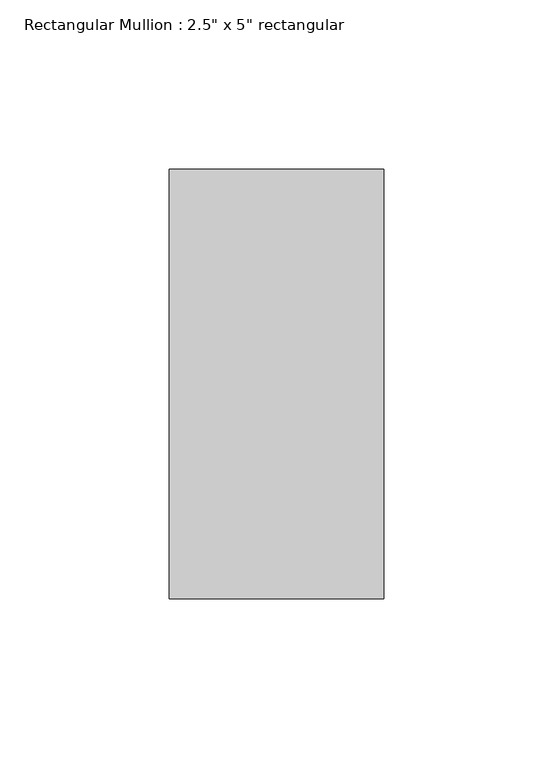
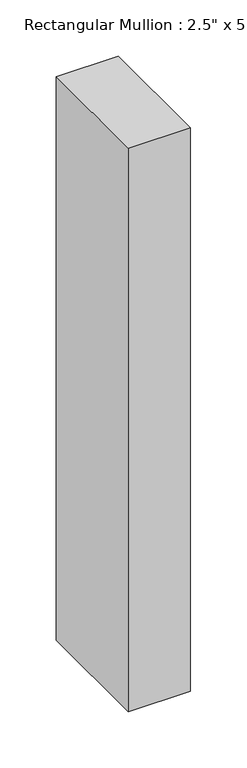
"""IFC4 building model written with IfcOpenShell, lengths in millimetres: member geometry."""

from ifc_helpers import new_model, si_unit, frame, origin, place, context, project, spatial, polyline, outline, extrude, source, transform, mapped, element, save


def member_8c23d20a(model_context):
    return source(origin(), model_context, "Body", "SweptSolid", [
        extrude(outline(polyline([(0.0, 63.5), (0.0, -63.5), (-63.5, -63.5), (-63.5, 63.5), (0.0, 63.5)])), frame((0.0, 0.0, -609.5), z_axis=(0.0, 0.0, 1.0), x_axis=(1.0, 0.0, 0.0)), (0.0, 0.0, 1.0), 609.5),
    ])


if __name__ == "__main__":
    model = new_model("IFC4")
    model_context = context("Model", 3, world=origin())
    ifc_project = project(units=[si_unit("LENGTHUNIT", "METRE", prefix="MILLI")], contexts=[model_context])
    site = spatial("IfcSite", under=ifc_project)
    building = spatial("IfcBuilding", under=site)
    placement = place(None, origin())
    member_shape = member_8c23d20a(model_context)
    element("IfcMember", 1, ObjectType="Rectangular Mullion : 2.5\" x 5\" rectangular", at=placement, inside=building, context=model_context, shape_type="MappedRepresentation", body=[
        mapped(member_shape, transform((0.0, 0.0, 0.0), x_axis=(1.0, 0.0, 0.0), y_axis=(0.0, 1.0, 0.0), z_axis=(0.0, 0.0, 1.0))),
    ])
    save(model, "model.ifc")
